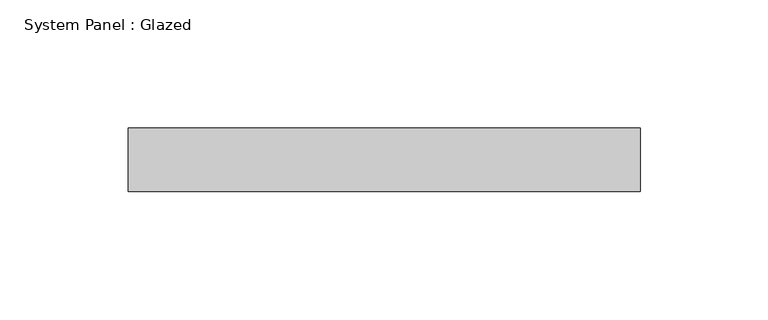
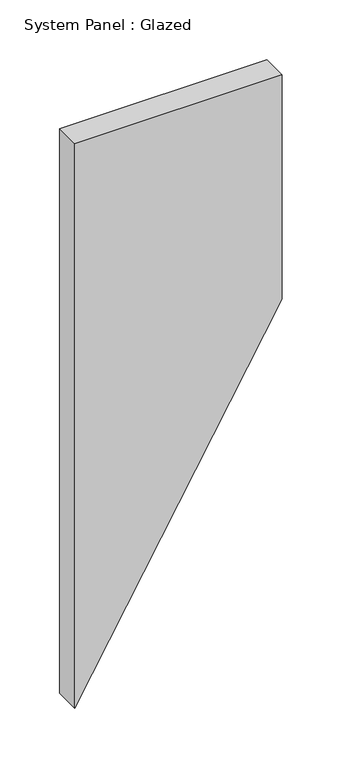
"""IFC4 building model written with IfcOpenShell, lengths in millimetres: plate geometry, System Panel : Glazed."""

from ifc_helpers import new_model, si_unit, frame, origin, place, context, project, spatial, polyline, outline, extrude, source, transform, mapped, element, save


def system_panel_glazed_afa434e5(model_context):
    return source(origin(), model_context, "Body", "SweptSolid", [
        extrude(outline(polyline([(0.0, -100.0), (346.4101615, 100.0), (575.1288689, 100.0), (575.1288689, -100.0), (0.0, -100.0)])), frame((0.0, 24.5, 0.0), z_axis=(0.0, 1.0, 0.0), x_axis=(0.0, 0.0, 1.0)), (0.0, 0.0, 1.0), 25.0),
    ])


if __name__ == "__main__":
    model = new_model("IFC4")
    model_context = context("Model", 3, world=origin())
    ifc_project = project(units=[si_unit("LENGTHUNIT", "METRE", prefix="MILLI")], contexts=[model_context])
    site = spatial("IfcSite", under=ifc_project)
    building = spatial("IfcBuilding", under=site)
    placement = place(None, origin())
    system_panel_glazed_shape = system_panel_glazed_afa434e5(model_context)
    element("IfcPlate", 1, ObjectType="System Panel : Glazed", at=placement, inside=building, context=model_context, shape_type="MappedRepresentation", body=[
        mapped(system_panel_glazed_shape, transform((0.0, 0.0, 0.0), x_axis=(1.0, 0.0, 0.0), y_axis=(0.0, 1.0, 0.0), z_axis=(0.0, 0.0, 1.0))),
    ])
    save(model, "model.ifc")
